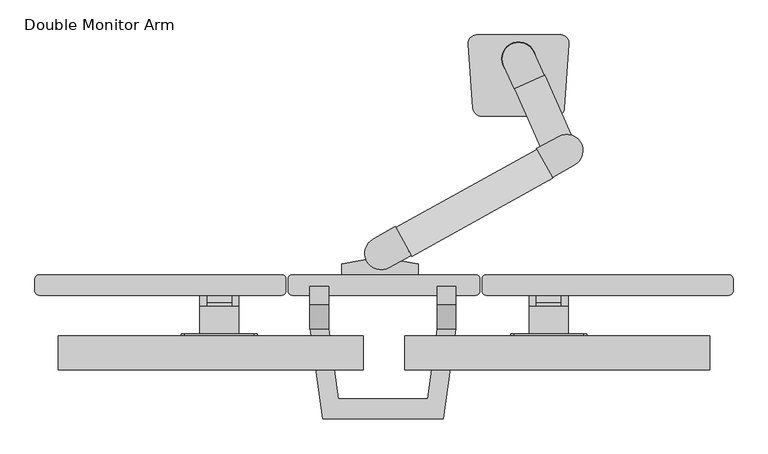
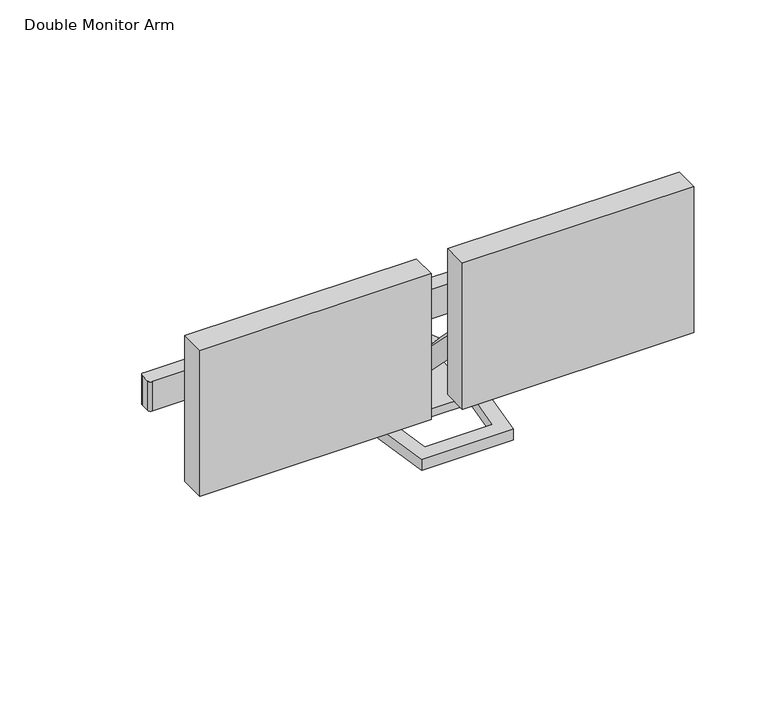
"""IFC4 building model written with IfcOpenShell, lengths in millimetres: furniture geometry, Double Monitor Arm."""

from ifc_helpers import new_model, si_unit, point, frame, frame_2d, origin, origin_2d, place, context, project, spatial, polyline, circle_curve, ellipse_curve, trimmed, segment, composite_curve, outline, extrude, faceted_brep, source, transform, mapped, element, save
from ifc_brep_helpers import plane_surface, cylinder_surface, advanced_brep


def double_monitor_arm_43182245(model_context):
    return source(origin(), model_context, "Body", "SolidModel", [
        advanced_brep(
        [(74.268649, -371.4252733, 1198.4054298), (63.156149, -371.4252733, 1198.4054298), (26.643649, -371.4252733, 1198.4054298), (15.531149, -371.4252733, 1198.4054298), (15.531149, -412.7002733, 1198.4054298), (74.268649, -412.7002733, 1198.4054298), (63.156149, -344.4377733, 1165.8616798), (63.156149, -365.1105799, 1165.8616798), (26.643649, -365.1105799, 1165.8616798), (26.643649, -344.4377733, 1165.8616798), (63.156149, -344.4377733, 1188.9613663), (63.156149, -365.3489576, 1197.2367104), (63.156149, -361.9002733, 1168.1178601), (26.643649, -361.9002733, 1168.1178601), (26.643649, -365.3489576, 1197.2367104), (26.643649, -344.4377733, 1188.9613663), (44.899899, -326.1815233, 1181.7366798), (74.268649, -361.9002733, 1168.1178601), (74.268649, -365.3489576, 1197.2367104), (74.268649, -412.7002733, 1139.6679298), (74.268649, -402.3815233, 1139.6679298), (15.531149, -365.3489576, 1197.2367104), (15.531149, -361.9002733, 1168.1178601), (15.531149, -402.3815233, 1139.6679298), (15.531149, -412.7002733, 1139.6679298)],
        [
            (0, 1),
            (1, 2),
            (2, 3),
            (3, 4),
            (4, 5),
            (5, 0),
            (6, 7),
            (7, 8),
            (8, 9),
            (9, 6, circle_curve(frame((44.899899, -344.4377733, 1165.8616798), z_axis=(0.0, 0.0, -1.0), x_axis=(1.0, 0.0, 0.0)), 18.25625)),
            (6, 10),
            (10, 11),
            (11, 12, circle_curve(frame((63.156149, -371.4787892, 1181.747078), z_axis=(-1.0, 0.0, 0.0), x_axis=(0.0, 1.0, 0.0)), 16.6584377)),
            (12, 7),
            (8, 13),
            (13, 14, circle_curve(frame((26.643649, -371.4787892, 1181.747078), z_axis=(1.0, 0.0, 0.0), x_axis=(0.0, 1.0, 0.0)), 16.6584377)),
            (14, 15),
            (15, 9),
            (15, 16, ellipse_curve(frame((44.899899, -344.4377733, 1188.9613663), z_axis=(0.0, -0.3679715770399226, -0.9298370386743864), x_axis=(0.0, -0.9298370386743865, 0.3679715770399224)), 19.6338167, 18.25625)),
            (16, 10, ellipse_curve(frame((44.899899, -344.4377733, 1188.9613663), z_axis=(0.0, -0.3679715770399226, -0.9298370386743864), x_axis=(0.0, -0.9298370386743865, 0.3679715770399224)), 19.6338167, 18.25625)),
            (14, 11),
            (14, 2, circle_curve(frame((26.643649, -371.4787892, 1181.747078), z_axis=(1.0, 0.0, 0.0), x_axis=(0.0, 1.0, 0.0)), 16.6584377)),
            (1, 11, circle_curve(frame((63.156149, -371.4787892, 1181.747078), z_axis=(-1.0, 0.0, 0.0), x_axis=(0.0, 1.0, 0.0)), 16.6584377)),
            (17, 18, circle_curve(frame((74.268649, -371.4787892, 1181.747078), z_axis=(1.0, 0.0, 0.0), x_axis=(0.0, 1.0, 0.0)), 16.6584377)),
            (18, 0, circle_curve(frame((74.268649, -371.4787892, 1181.747078), z_axis=(1.0, 0.0, 0.0), x_axis=(0.0, 1.0, 0.0)), 16.6584377)),
            (5, 19),
            (19, 20),
            (20, 17),
            (3, 21, circle_curve(frame((15.531149, -371.4787892, 1181.747078), z_axis=(-1.0, 0.0, 0.0), x_axis=(0.0, 1.0, 0.0)), 16.6584377)),
            (21, 22, circle_curve(frame((15.531149, -371.4787892, 1181.747078), z_axis=(-1.0, 0.0, 0.0), x_axis=(0.0, 1.0, 0.0)), 16.6584377)),
            (22, 23),
            (23, 24),
            (24, 4),
            (17, 12),
            (13, 22),
            (20, 23),
            (19, 24),
        ],
        [
            plane_surface(frame((63.156149, -344.4377733, 1198.4054298), z_axis=(0.0, 0.0, 1.0), x_axis=(0.0, -1.0, 0.0))),
            plane_surface(frame((63.156149, -344.4377733, 1165.8616798), z_axis=(0.0, 0.0, -1.0), x_axis=(0.0, 1.0, 0.0))),
            plane_surface(frame((63.156149, -344.4377733, 1198.4054298), z_axis=(1.0, 0.0, 0.0), x_axis=(0.0, 0.0, -1.0))),
            plane_surface(frame((26.643649, -371.4252733, 1198.4054298), z_axis=(-1.0, 0.0, 0.0), x_axis=(0.0, 0.0, -1.0))),
            cylinder_surface(frame((44.899899, -344.4377733, 1165.8616798), z_axis=(0.0, 0.0, 1.0), x_axis=(1.0, 0.0, 0.0)), 18.25625),
            plane_surface(frame((76.649899, -326.1815233, 1181.7366798), z_axis=(0.0, 0.3679715770399226, 0.9298370386743864), x_axis=(-1.0, 0.0, 0.0))),
            cylinder_surface(frame((13.149899, -371.4787892, 1181.747078), z_axis=(-1.0, 0.0, 0.0), x_axis=(0.0, 1.0, 0.0)), 16.6584377),
            plane_surface(frame((74.268649, -354.8203515, 1181.747078), z_axis=(1.0, 0.0, 0.0), x_axis=(0.0, 0.0, -1.0))),
            plane_surface(frame((15.531149, -354.8203515, 1181.747078), z_axis=(-1.0, 0.0, 0.0), x_axis=(0.0, 0.0, 1.0))),
            cylinder_surface(frame((15.531149, -371.4787892, 1181.747078), z_axis=(1.0, 0.0, 0.0), x_axis=(0.0, 1.0, 0.0)), 16.6584377),
            plane_surface(frame((74.268649, -361.9002733, 1168.1178601), z_axis=(0.0, 0.574994853218363, -0.8181570257428541), x_axis=(-1.0, 0.0, 0.0))),
            plane_surface(frame((74.268649, -402.3815233, 1139.6679298), z_axis=(0.0, 0.0, -1.0), x_axis=(-1.0, 0.0, 0.0))),
            plane_surface(frame((74.268649, -412.7002733, 1139.6679298), z_axis=(0.0, -1.0, 0.0), x_axis=(-1.0, 0.0, 0.0))),
        ],
        [
            (0, [[1, 2, 3, 4, 5, 6]]),
            (1, [[7, 8, 9, 10]]),
            (2, [[11, 12, 13, 14, -7]]),
            (3, [[15, 16, 17, 18, -9]]),
            (4, [[-18, 19, 20, -11, -10]]),
            (5, [[-12, -20, -19, -17, 21]]),
            (6, [[22, -2, 23, -21]]),
            (7, [[24, 25, -6, 26, 27, 28]]),
            (8, [[29, 30, 31, 32, 33, -4]]),
            (9, [[-25, -24, 34, -13, -23, -1]]),
            (9, [[-22, -16, 35, -30, -29, -3]]),
            (10, [[36, -31, -35, -15, -8, -14, -34, -28]]),
            (11, [[37, -32, -36, -27]]),
            (12, [[-5, -33, -37, -26]]),
        ],
    ),
        extrude(outline(polyline([(1226.1866798, -7.487601), (1221.4241798, -12.250101), (1116.6491798, -12.250101), (1111.8866798, -7.487601), (1111.8866798, 97.287399), (1116.6491798, 102.049899), (1221.4241798, 102.049899), (1226.1866798, 97.287399), (1226.1866798, -7.487601)])), frame((0.0, -415.8752733, 0.0), z_axis=(0.0, 1.0, 0.0), x_axis=(0.0, 0.0, 1.0)), (0.0, 0.0, 1.0), 3.175),
        extrude(outline(polyline([(-171.000101, -466.6752733), (-171.000101, -415.8752733), (286.199899, -415.8752733), (286.199899, -466.6752733), (-171.000101, -466.6752733)])), frame((0.0, 0.0, 1038.8616798), z_axis=(0.0, 0.0, 1.0), x_axis=(1.0, 0.0, 0.0)), (0.0, 0.0, 1.0), 304.8),
        advanced_brep(
        [(-477.8742613, -371.4252733, 1198.4054298), (-477.8742613, -412.7002733, 1198.4054298), (-419.1367613, -412.7002733, 1198.4054298), (-419.1367613, -371.4252733, 1198.4054298), (-430.2492613, -371.4252733, 1198.4054298), (-466.7617613, -371.4252733, 1198.4054298), (-466.7617613, -344.4377733, 1165.8616798), (-430.2492613, -344.4377733, 1165.8616798), (-430.2492613, -365.1105799, 1165.8616798), (-466.7617613, -365.1105799, 1165.8616798), (-466.7617613, -361.9002733, 1168.1178601), (-466.7617613, -365.3489576, 1197.2367104), (-466.7617613, -344.4377733, 1188.9613663), (-430.2492613, -344.4377733, 1188.9613663), (-430.2492613, -365.3489576, 1197.2367104), (-430.2492613, -361.9002733, 1168.1178601), (-448.5055113, -326.1815233, 1181.7366798), (-477.8742613, -361.9002733, 1168.1178601), (-477.8742613, -402.3815233, 1139.6679298), (-477.8742613, -412.7002733, 1139.6679298), (-477.8742613, -365.3489576, 1197.2367104), (-419.1367613, -412.7002733, 1139.6679298), (-419.1367613, -402.3815233, 1139.6679298), (-419.1367613, -361.9002733, 1168.1178601), (-419.1367613, -365.3489576, 1197.2367104)],
        [
            (0, 1),
            (1, 2),
            (2, 3),
            (3, 4),
            (4, 5),
            (5, 0),
            (6, 7, circle_curve(frame((-448.5055113, -344.4377733, 1165.8616798), z_axis=(0.0, 0.0, -1.0), x_axis=(-1.0, 0.0, 0.0)), 18.25625)),
            (7, 8),
            (8, 9),
            (9, 6),
            (9, 10),
            (10, 11, circle_curve(frame((-466.7617613, -371.4787892, 1181.747078), z_axis=(1.0, 0.0, 0.0), x_axis=(0.0, 1.0, 0.0)), 16.6584377)),
            (11, 12),
            (12, 6),
            (7, 13),
            (13, 14),
            (14, 15, circle_curve(frame((-430.2492613, -371.4787892, 1181.747078), z_axis=(-1.0, 0.0, 0.0), x_axis=(0.0, 1.0, 0.0)), 16.6584377)),
            (15, 8),
            (12, 16, ellipse_curve(frame((-448.5055113, -344.4377733, 1188.9613663), z_axis=(0.0, -0.3679715770399226, -0.9298370386743864), x_axis=(0.0, -0.9298370386743865, 0.3679715770399224)), 19.6338167, 18.25625)),
            (16, 13, ellipse_curve(frame((-448.5055113, -344.4377733, 1188.9613663), z_axis=(0.0, -0.3679715770399226, -0.9298370386743864), x_axis=(0.0, -0.9298370386743865, 0.3679715770399224)), 19.6338167, 18.25625)),
            (11, 14),
            (11, 5, circle_curve(frame((-466.7617613, -371.4787892, 1181.747078), z_axis=(1.0, 0.0, 0.0), x_axis=(0.0, 1.0, 0.0)), 16.6584377)),
            (4, 14, circle_curve(frame((-430.2492613, -371.4787892, 1181.747078), z_axis=(-1.0, 0.0, 0.0), x_axis=(0.0, 1.0, 0.0)), 16.6584377)),
            (17, 18),
            (18, 19),
            (19, 1),
            (0, 20, circle_curve(frame((-477.8742613, -371.4787892, 1181.747078), z_axis=(-1.0, 0.0, 0.0), x_axis=(0.0, 1.0, 0.0)), 16.6584377)),
            (20, 17, circle_curve(frame((-477.8742613, -371.4787892, 1181.747078), z_axis=(-1.0, 0.0, 0.0), x_axis=(0.0, 1.0, 0.0)), 16.6584377)),
            (2, 21),
            (21, 22),
            (22, 23),
            (23, 24, circle_curve(frame((-419.1367613, -371.4787892, 1181.747078), z_axis=(1.0, 0.0, 0.0), x_axis=(0.0, 1.0, 0.0)), 16.6584377)),
            (24, 3, circle_curve(frame((-419.1367613, -371.4787892, 1181.747078), z_axis=(1.0, 0.0, 0.0), x_axis=(0.0, 1.0, 0.0)), 16.6584377)),
            (23, 15),
            (10, 17),
            (22, 18),
            (21, 19),
        ],
        [
            plane_surface(frame((-466.7617613, -344.4377733, 1198.4054298), z_axis=(0.0, 0.0, 1.0), x_axis=(0.0, -1.0, 0.0))),
            plane_surface(frame((-466.7617613, -344.4377733, 1165.8616798), z_axis=(0.0, 0.0, -1.0), x_axis=(0.0, 1.0, 0.0))),
            plane_surface(frame((-466.7617613, -344.4377733, 1198.4054298), z_axis=(-1.0, 0.0, 0.0), x_axis=(0.0, 0.0, -1.0))),
            plane_surface(frame((-430.2492613, -371.4252733, 1198.4054298), z_axis=(1.0, 0.0, 0.0), x_axis=(0.0, 0.0, -1.0))),
            cylinder_surface(frame((-448.5055113, -344.4377733, 1165.8616798), z_axis=(0.0, 0.0, 1.0), x_axis=(-1.0, 0.0, 0.0)), 18.25625),
            plane_surface(frame((-480.2555113, -326.1815233, 1181.7366798), z_axis=(0.0, 0.3679715770399226, 0.9298370386743864), x_axis=(1.0, 0.0, 0.0))),
            cylinder_surface(frame((-416.7555113, -371.4787892, 1181.747078), z_axis=(1.0, 0.0, 0.0), x_axis=(0.0, 1.0, 0.0)), 16.6584377),
            plane_surface(frame((-477.8742613, -354.8203515, 1181.747078), z_axis=(-1.0, 0.0, 0.0), x_axis=(0.0, 0.0, -1.0))),
            plane_surface(frame((-419.1367613, -354.8203515, 1181.747078), z_axis=(1.0, 0.0, 0.0), x_axis=(0.0, 0.0, 1.0))),
            cylinder_surface(frame((-419.1367613, -371.4787892, 1181.747078), z_axis=(-1.0, 0.0, 0.0), x_axis=(0.0, 1.0, 0.0)), 16.6584377),
            plane_surface(frame((-477.8742613, -361.9002733, 1168.1178601), z_axis=(0.0, 0.574994853218363, -0.8181570257428541), x_axis=(1.0, 0.0, 0.0))),
            plane_surface(frame((-477.8742613, -402.3815233, 1139.6679298), z_axis=(0.0, 0.0, -1.0), x_axis=(1.0, 0.0, 0.0))),
            plane_surface(frame((-477.8742613, -412.7002733, 1139.6679298), z_axis=(0.0, -1.0, 0.0), x_axis=(1.0, 0.0, 0.0))),
        ],
        [
            (0, [[1, 2, 3, 4, 5, 6]]),
            (1, [[7, 8, 9, 10]]),
            (2, [[-10, 11, 12, 13, 14]]),
            (3, [[-8, 15, 16, 17, 18]]),
            (4, [[-7, -14, 19, 20, -15]]),
            (5, [[21, -16, -20, -19, -13]]),
            (6, [[-21, 22, -5, 23]]),
            (7, [[24, 25, 26, -1, 27, 28]]),
            (8, [[-3, 29, 30, 31, 32, 33]]),
            (9, [[-4, -33, -32, 34, -17, -23]]),
            (9, [[-6, -22, -12, 35, -28, -27]]),
            (10, [[-24, -35, -11, -9, -18, -34, -31, 36]]),
            (11, [[-25, -36, -30, 37]]),
            (12, [[-26, -37, -29, -2]]),
        ],
    ),
        extrude(outline(polyline([(1226.1866798, -396.1180113), (1226.1866798, -500.8930113), (1221.4241798, -505.6555113), (1116.6491798, -505.6555113), (1111.8866798, -500.8930113), (1111.8866798, -396.1180113), (1116.6491798, -391.3555113), (1221.4241798, -391.3555113), (1226.1866798, -396.1180113)])), frame((0.0, -415.8752733, 0.0), z_axis=(0.0, 1.0, 0.0), x_axis=(0.0, 0.0, 1.0)), (0.0, 0.0, 1.0), 3.175),
        extrude(outline(polyline([(-232.6055113, -466.6752733), (-689.8055113, -466.6752733), (-689.8055113, -415.8752733), (-232.6055113, -415.8752733), (-232.6055113, -466.6752733)])), frame((0.0, 0.0, 1038.8616798), z_axis=(0.0, 0.0, 1.0), x_axis=(1.0, 0.0, 0.0)), (0.0, 0.0, 1.0), 304.8),
        extrude(outline(polyline([(-25.796875, 0.0), (25.796875, 0.0), (-115.490625, -133.35), (-166.290625, -133.35), (-25.796875, 0.0)])), frame((-6.1607448, -44.7079943, 820.2720058), z_axis=(0.9135454576425139, 0.4067366430759959, 0.0), x_axis=(0.0, 0.0, -1.0)), (0.0, 0.0, 1.0), 49.2125),
        extrude(outline(composite_curve([segment(trimmed(circle_curve(origin_2d(), 24.60625), [point((-22.4789279, -10.0082635))], [point((22.4789279, 10.0082635))], False, "CARTESIAN"), True, "CONTINUOUS"), segment(polyline([(22.4789279, 10.0082635), (37.975594, -24.7978184), (-6.9822618, -44.8143455), (-22.4789279, -10.0082635)]), True, "CONTINUOUS")], self_intersect=False)), frame((0.0, 0.0, 794.4751308), z_axis=(0.0, 0.0, 1.0), x_axis=(1.0, 0.0, 0.0)), (0.0, 0.0, 1.0), 51.59375),
        extrude(outline(composite_curve([segment(trimmed(circle_curve(frame_2d((-206.0459469, -291.6894928)), 24.60625), [point((-194.1166001, -313.2106039))], [point((-217.9752936, -270.1683816))], False, "CARTESIAN"), True, "CONTINUOUS"), segment(polyline([(-217.9752936, -270.1683816), (-184.6522827, -251.6971351), (-160.7935893, -294.7393574), (-194.1166001, -313.2106039)]), True, "CONTINUOUS")], self_intersect=False)), frame((0.0, 0.0, 1158.2891061), z_axis=(0.0, 0.0, 1.0), x_axis=(1.0, 0.0, 0.0)), (0.0, 0.0, 1.0), 51.3858939),
        extrude(outline(polyline([(-25.796875, 0.0), (25.796875, 0.0), (229.790625, -241.3), (178.990625, -241.3), (-25.796875, 0.0)])), frame((51.0217813, -179.1432548, 979.884375), z_axis=(-0.48480962024651864, 0.8746197071392953, 0.0), x_axis=(0.0, 0.0, 1.0)), (0.0, 0.0, 1.0), 49.2125),
        extrude(outline(composite_curve([segment(trimmed(circle_curve(frame_2d((71.6458101, -137.7624383)), 24.60625), [point((59.7164634, -116.2413272))], [point((83.5751569, -159.2835495))], False, "CARTESIAN"), True, "CONTINUOUS"), segment(polyline([(83.5751569, -159.2835495), (50.252146, -177.754796), (26.3934526, -134.7125737), (59.7164634, -116.2413272)]), True, "CONTINUOUS")], self_intersect=False)), frame((0.0, 0.0, 954.0875), z_axis=(0.0, 0.0, 1.0), x_axis=(1.0, 0.0, 0.0)), (0.0, 0.0, 1.0), 51.59375),
        extrude(outline(composite_curve([segment(trimmed(circle_curve(frame_2d((-62.6611672, 23.2932295)), 12.7), [point((-75.3302307, 22.4073223))], [point((-63.6792792, 35.9523546))], False, "CARTESIAN"), True, "CONTINUOUS"), segment(trimmed(circle_curve(frame_2d((0.0, -755.8308364)), 794.3397712), [point((-63.6792792, 35.9523546))], [point((63.6792792, 35.9523546))], False, "CARTESIAN"), True, "CONTINUOUS"), segment(trimmed(circle_curve(frame_2d((62.6611672, 23.2932295)), 12.7), [point((63.6792792, 35.9523546))], [point((75.3302307, 22.4073223))], False, "CARTESIAN"), True, "CONTINUOUS"), segment(polyline([(75.3302307, 22.4073223), (68.5984812, -73.8611805)]), True, "CONTINUOUS"), segment(trimmed(circle_curve(frame_2d((55.9294177, -72.9752733)), 12.7), [point((68.5984812, -73.8611805))], [point((55.9294177, -85.6752733))], False, "CARTESIAN"), True, "CONTINUOUS"), segment(polyline([(55.9294177, -85.6752733), (-55.9294177, -85.6752733)]), True, "CONTINUOUS"), segment(trimmed(circle_curve(frame_2d((-55.9294177, -72.9752733)), 12.7), [point((-55.9294177, -85.6752733))], [point((-68.5984812, -73.8611805))], False, "CARTESIAN"), True, "CONTINUOUS"), segment(polyline([(-68.5984812, -73.8611805), (-75.3302307, 22.4073223)]), True, "CONTINUOUS")], self_intersect=False)), frame((0.0, 0.0, 736.6), z_axis=(0.0, 0.0, 1.0), x_axis=(1.0, 0.0, 0.0)), (0.0, 0.0, 1.0), 16.66875),
        extrude(outline(composite_curve([segment(trimmed(circle_curve(origin_2d(), 25.4), [point((-25.4, 0.0))], [point((25.4, 0.0))], False, "CARTESIAN"), True, "CONTINUOUS"), segment(trimmed(circle_curve(origin_2d(), 25.4), [point((25.4, 0.0))], [point((-25.4, 0.0))], False, "CARTESIAN"), True, "CONTINUOUS")], self_intersect=False)), frame((0.0, 0.0, 753.26875), z_axis=(0.0, 0.0, 1.0), x_axis=(1.0, 0.0, 0.0)), (0.0, 0.0, 1.0), 41.2063808),
        faceted_brep([(-94.5159802, -368.2346463, 1226.1866798), (-94.5159802, -405.2664489, 1021.3407108), (-94.5159802, -405.2664489, 998.6181879), (-94.5159802, -377.5272282, 998.6181879), (-94.5159802, -341.2786424, 1229.0511439), (-121.8075572, -368.2346463, 1226.1866798), (-121.8075572, -341.2786424, 1229.0511439), (-121.8075572, -377.5272282, 998.6181879), (-121.8075572, -405.2664489, 998.6181879), (-121.8075572, -405.2664489, 1021.3407108), (-94.3110481, -405.2664489, 998.6181879), (-113.1988212, -539.6599378, 998.6181879), (-293.3654492, -539.6599378, 998.6181879), (-312.2532223, -405.2664489, 998.6181879), (-312.6890158, -405.2664489, 998.6181879), (-312.6890158, -377.5272282, 998.6181879), (-284.5987005, -377.5272282, 998.6181879), (-284.5987005, -405.2664489, 998.6181879), (-284.8110481, -405.2664489, 998.6181879), (-270.1456829, -509.6159448, 998.6181879), (-136.4185875, -509.6159448, 998.6181879), (-312.2532223, -405.2664489, 1021.3407108), (-293.3654492, -539.6599378, 1021.3407108), (-113.1988212, -539.6599378, 1021.3407108), (-94.3110481, -405.2664489, 1021.3407108), (-136.4185875, -509.6159448, 1021.3407108), (-270.1456829, -509.6159448, 1021.3407108), (-284.8110481, -405.2664489, 1021.3407108), (-284.5987005, -368.2346463, 1226.1866798), (-284.5987005, -405.2664489, 1021.3407108), (-284.5987005, -341.2786424, 1229.0511439), (-312.6890158, -368.2346463, 1226.1866798), (-312.6890158, -341.2786424, 1229.0511439), (-312.6890158, -405.2664489, 1021.3407108)], [[[0, 1, 2, 3, 4]], [[5, 6, 7, 8, 9]], [[1, 0, 5, 9]], [[3, 2, 10, 11, 12, 13, 14, 15, 16, 17, 18, 19, 20, 8, 7]], [[4, 3, 7, 6]], [[0, 4, 6, 5]], [[21, 22, 23, 24, 1, 9, 25, 26, 27]], [[22, 21, 13, 12]], [[23, 22, 12, 11]], [[24, 23, 11, 10]], [[24, 10, 2, 1]], [[25, 9, 8, 20]], [[26, 25, 20, 19]], [[27, 26, 19, 18]], [[28, 29, 17, 16, 30]], [[31, 32, 15, 14, 33]], [[29, 28, 31, 33, 21, 27]], [[17, 29, 27, 18]], [[33, 14, 13, 21]], [[30, 16, 15, 32]], [[28, 30, 32, 31]]]),
        extrude(outline(composite_curve([segment(polyline([(-265.4861551, -323.9253351), (-265.4861551, -307.60311), (-227.5220427, -300.9090126), (-222.0562696, -280.5104698)]), True, "CONTINUOUS"), segment(trimmed(circle_curve(frame_2d((-204.6229115, -285.181724)), 18.0483404), [point((-222.0562696, -280.5104698))], [point((-187.1895534, -280.5104698))], False, "CARTESIAN"), True, "CONTINUOUS"), segment(polyline([(-187.1895534, -280.5104698), (-181.4153951, -302.0599219), (-150.8137752, -307.4558131), (-150.8137752, -323.9253351), (-265.4861551, -323.9253351)]), True, "CONTINUOUS")], self_intersect=False)), frame((0.0, 0.0, 1165.8147809), z_axis=(0.0, 0.0, 1.0), x_axis=(1.0, 0.0, 0.0)), (0.0, 0.0, 1.0), 38.1468989),
        extrude(outline(composite_curve([segment(trimmed(circle_curve(frame_2d((-64.4877861, -330.2753351)), 6.35), [point((-64.4877861, -323.9253351))], [point((-58.1377861, -330.2753351))], False, "CARTESIAN"), True, "CONTINUOUS"), segment(polyline([(-58.1377861, -330.2753351), (-58.1377861, -348.1540316)]), True, "CONTINUOUS"), segment(trimmed(circle_curve(frame_2d((-64.4877861, -348.1540316)), 6.35), [point((-58.1377861, -348.1540316))], [point((-64.4877861, -354.5040316))], False, "CARTESIAN"), True, "CONTINUOUS"), segment(polyline([(-64.4877861, -354.5040316), (-339.1178263, -354.5040316)]), True, "CONTINUOUS"), segment(trimmed(circle_curve(frame_2d((-339.1178263, -348.1540316)), 6.35), [point((-339.1178263, -354.5040316))], [point((-345.4678263, -348.1540316))], False, "CARTESIAN"), True, "CONTINUOUS"), segment(polyline([(-345.4678263, -348.1540316), (-345.4678263, -330.2753351)]), True, "CONTINUOUS"), segment(trimmed(circle_curve(frame_2d((-339.1178263, -330.2753351)), 6.35), [point((-345.4678263, -330.2753351))], [point((-339.1178263, -323.9253351))], False, "CARTESIAN"), True, "CONTINUOUS"), segment(polyline([(-339.1178263, -323.9253351), (-64.4877861, -323.9253351)]), True, "CONTINUOUS")], self_intersect=False)), frame((0.0, 0.0, 1158.875), z_axis=(0.0, 0.0, 1.0), x_axis=(1.0, 0.0, 0.0)), (0.0, 0.0, 1.0), 61.3246483),
        extrude(outline(composite_curve([segment(trimmed(circle_curve(frame_2d((-355.0002861, -330.2753351)), 6.35), [point((-355.0002861, -323.9253351))], [point((-348.6502861, -330.2753351))], False, "CARTESIAN"), True, "CONTINUOUS"), segment(polyline([(-348.6502861, -330.2753351), (-348.6502861, -348.1540316)]), True, "CONTINUOUS"), segment(trimmed(circle_curve(frame_2d((-355.0002861, -348.1540316)), 6.35), [point((-348.6502861, -348.1540316))], [point((-355.0002861, -354.5040316))], False, "CARTESIAN"), True, "CONTINUOUS"), segment(polyline([(-355.0002861, -354.5040316), (-718.5303263, -354.5040316)]), True, "CONTINUOUS"), segment(trimmed(circle_curve(frame_2d((-718.5303263, -348.1540316)), 6.35), [point((-718.5303263, -354.5040316))], [point((-724.8803263, -348.1540316))], False, "CARTESIAN"), True, "CONTINUOUS"), segment(polyline([(-724.8803263, -348.1540316), (-724.8803263, -330.2753351)]), True, "CONTINUOUS"), segment(trimmed(circle_curve(frame_2d((-718.5303263, -330.2753351)), 6.35), [point((-724.8803263, -330.2753351))], [point((-718.5303263, -323.9253351))], False, "CARTESIAN"), True, "CONTINUOUS"), segment(polyline([(-718.5303263, -323.9253351), (-355.0002861, -323.9253351)]), True, "CONTINUOUS")], self_intersect=False)), frame((0.0, 0.0, 1158.875), z_axis=(0.0, 0.0, 1.0), x_axis=(1.0, 0.0, 0.0)), (0.0, 0.0, 1.0), 61.3246483),
        extrude(outline(composite_curve([segment(trimmed(circle_curve(frame_2d((314.917254, -330.2753351)), 6.35), [point((314.917254, -323.9253351))], [point((321.267254, -330.2753351))], False, "CARTESIAN"), True, "CONTINUOUS"), segment(polyline([(321.267254, -330.2753351), (321.267254, -348.1540316)]), True, "CONTINUOUS"), segment(trimmed(circle_curve(frame_2d((314.917254, -348.1540316)), 6.35), [point((321.267254, -348.1540316))], [point((314.917254, -354.5040316))], False, "CARTESIAN"), True, "CONTINUOUS"), segment(polyline([(314.917254, -354.5040316), (-48.6127861, -354.5040316)]), True, "CONTINUOUS"), segment(trimmed(circle_curve(frame_2d((-48.6127861, -348.1540316)), 6.35), [point((-48.6127861, -354.5040316))], [point((-54.9627861, -348.1540316))], False, "CARTESIAN"), True, "CONTINUOUS"), segment(polyline([(-54.9627861, -348.1540316), (-54.9627861, -330.2753351)]), True, "CONTINUOUS"), segment(trimmed(circle_curve(frame_2d((-48.6127861, -330.2753351)), 6.35), [point((-54.9627861, -330.2753351))], [point((-48.6127861, -323.9253351))], False, "CARTESIAN"), True, "CONTINUOUS"), segment(polyline([(-48.6127861, -323.9253351), (314.917254, -323.9253351)]), True, "CONTINUOUS")], self_intersect=False)), frame((0.0, 0.0, 1158.875), z_axis=(0.0, 0.0, 1.0), x_axis=(1.0, 0.0, 0.0)), (0.0, 0.0, 1.0), 61.3246483),
    ])


if __name__ == "__main__":
    model = new_model("IFC4")
    model_context = context("Model", 3, world=origin())
    ifc_project = project(units=[si_unit("LENGTHUNIT", "METRE", prefix="MILLI")], contexts=[model_context])
    site = spatial("IfcSite", under=ifc_project)
    building = spatial("IfcBuilding", under=site)
    placement = place(None, origin())
    double_monitor_arm_shape = double_monitor_arm_43182245(model_context)
    element("IfcFurniture", 1, ObjectType="Double Monitor Arm", at=placement, inside=building, context=model_context, shape_type="MappedRepresentation", body=[
        mapped(double_monitor_arm_shape, transform((0.0, 0.0, 0.0), x_axis=(1.0, 0.0, 0.0), y_axis=(0.0, 1.0, 0.0), z_axis=(0.0, 0.0, 1.0))),
    ])
    save(model, "model.ifc")
